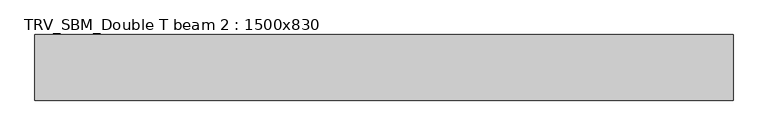
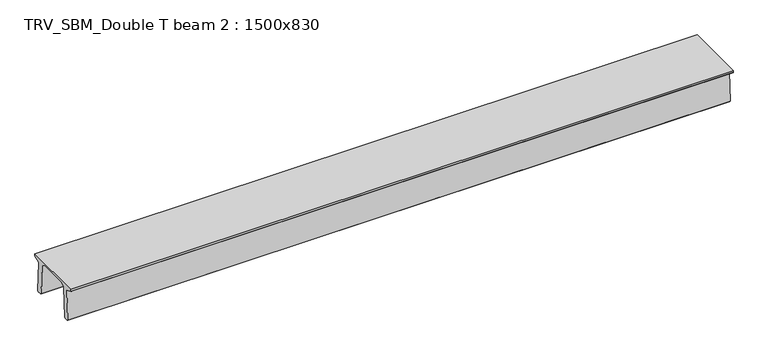
"""IFC4 building model written with IfcOpenShell, lengths in millimetres: beam geometry, TRV_SBM_Double T beam 2 : 1500x830."""

import ifcopenshell
import ifcopenshell.guid

model = None  # the IFC model being written
_history = None  # IfcOwnerHistory: only IFC2X3 demands one
_inside = {}  # id of a spatial element -> (the spatial element, [elements in it])
_under = {}  # id of a project, library or spatial element -> (it, [spatial elements below it])
_declared = {}  # id of a project -> (the project, [libraries it declares])
_typed = {}  # id of a type object -> (the type object, [elements of that type])
_made_of = {}  # id of a material, layer set ... -> (it, [elements and type objects made of it])


def new_model(schema):
    """Start an empty IFC model of exactly this schema.

    Asked for "IFC4X3", IfcOpenShell would pick the latest addendum, in which some entities
    have other attributes; the version numbers below select the first issue.
    IFC2X3 requires an IfcOwnerHistory on every rooted entity: one is made here for all.
    """
    global model, _history
    if schema == "IFC4X3":
        model = ifcopenshell.file(schema_version=(4, 3, 0, 0))
    else:
        model = ifcopenshell.file(schema=schema)
    _inside.clear()
    _under.clear()
    _declared.clear()
    _typed.clear()
    _made_of.clear()
    _history = None
    if model.schema == "IFC2X3":
        org = make("IfcOrganization", Name="unknown")
        user = make(
            "IfcPersonAndOrganization",
            ThePerson=make("IfcPerson", FamilyName="unknown"),
            TheOrganization=org,
        )
        app = make(
            "IfcApplication",
            ApplicationDeveloper=org,
            Version="unknown",
            ApplicationFullName="unknown",
            ApplicationIdentifier="unknown",
        )
        _history = make(
            "IfcOwnerHistory",
            OwningUser=user,
            OwningApplication=app,
            ChangeAction="ADDED",
            CreationDate=0,
        )
    return model


def make(cls, **values):
    """One entity of the class cls with the attributes given. An attribute that is None is left unset."""
    return model.create_entity(
        cls, **{name: value for name, value in values.items() if value is not None}
    )


def rooted(cls, **values):
    """An entity with a GlobalId (a new one), such as an element, a storey or a relation."""
    return make(cls, GlobalId=ifcopenshell.guid.new(), OwnerHistory=_history, **values)


def si_unit(unit_type, name, prefix=None):
    """IfcSIUnit, for example si_unit("LENGTHUNIT", "METRE", prefix="MILLI")."""
    return make("IfcSIUnit", UnitType=unit_type, Prefix=prefix, Name=name)


def assignment(units):
    """IfcUnitAssignment: the units of a project."""
    return None if units is None else make("IfcUnitAssignment", Units=units)


def point(xyz):
    """IfcCartesianPoint."""
    return None if xyz is None else make("IfcCartesianPoint", Coordinates=xyz)


def direction(xyz):
    """IfcDirection."""
    return None if xyz is None else make("IfcDirection", DirectionRatios=xyz)


def frame(location, z_axis=None, x_axis=None):
    """IfcAxis2Placement3D, a coordinate frame: its origin and axes. An axis left out is left unset."""
    return make(
        "IfcAxis2Placement3D",
        Location=point(location),
        Axis=direction(z_axis),
        RefDirection=direction(x_axis),
    )


def origin():
    """The frame at (0, 0, 0) with its axes left unset."""
    return frame((0.0, 0.0, 0.0))


def place(relative_to, where):
    """IfcLocalPlacement: puts the frame where relative to a parent placement (None: the world)."""
    return make(
        "IfcLocalPlacement", PlacementRelTo=relative_to, RelativePlacement=where
    )


def context(
    kind, dimensions, precision=None, world=None, true_north=None, identifier=None
):
    """IfcGeometricRepresentationContext, for example the 3D "Model" context."""
    return make(
        "IfcGeometricRepresentationContext",
        ContextIdentifier=identifier,
        ContextType=kind,
        CoordinateSpaceDimension=dimensions,
        Precision=precision,
        WorldCoordinateSystem=world,
        TrueNorth=true_north,
    )


def project(units=None, contexts=None):
    """IfcProject with its units and contexts."""
    return rooted(
        "IfcProject",
        Name="project",
        RepresentationContexts=contexts,
        UnitsInContext=assignment(units),
    )


def spatial(cls, under=None, at=None, **own):
    """A site, building, storey or space (cls), placed at a placement, below another one or the project."""
    s = rooted(cls, ObjectPlacement=at, **own)
    if under is not None:
        _under.setdefault(under.id(), (under, []))[1].append(s)
    return s


def polyline(points):
    """IfcPolyline through the points."""
    return make("IfcPolyline", Points=[point(p) for p in points])


def outline(outer, holes=None, kind="AREA"):
    """IfcArbitraryClosedProfileDef: a profile drawn as a closed curve; with holes, ...WithVoids."""
    if holes is None:
        return make("IfcArbitraryClosedProfileDef", ProfileType=kind, OuterCurve=outer)
    return make(
        "IfcArbitraryProfileDefWithVoids",
        ProfileType=kind,
        OuterCurve=outer,
        InnerCurves=holes,
    )


def extrude(swept, where, along, depth):
    """IfcExtrudedAreaSolid: the profile swept, set in the frame where, extruded along a direction by depth."""
    return make(
        "IfcExtrudedAreaSolid",
        SweptArea=swept,
        Position=where,
        ExtrudedDirection=direction(along),
        Depth=depth,
    )


def shape(context_of_items, identifier, shape_type, items):
    """IfcShapeRepresentation: the items that make up one representation, for example the "Body"."""
    return make(
        "IfcShapeRepresentation",
        ContextOfItems=context_of_items,
        RepresentationIdentifier=identifier,
        RepresentationType=shape_type,
        Items=items,
    )


def source(mapping_origin, context_of_items, identifier, shape_type, items):
    """IfcRepresentationMap: a shape defined once, which mapped items show again and again."""
    return make(
        "IfcRepresentationMap",
        MappingOrigin=mapping_origin,
        MappedRepresentation=shape(context_of_items, identifier, shape_type, items),
    )


def transform(
    local_origin,
    x_axis=None,
    y_axis=None,
    z_axis=None,
    scale=None,
    scale2=None,
    scale3=None,
    uniform=True,
):
    """IfcCartesianTransformationOperator3D, or its non-uniform kind. x_axis, y_axis, z_axis: its Axis1, 2, 3."""
    if uniform:
        return make(
            "IfcCartesianTransformationOperator3D",
            Axis1=direction(x_axis),
            Axis2=direction(y_axis),
            LocalOrigin=point(local_origin),
            Scale=scale,
            Axis3=direction(z_axis),
        )
    return make(
        "IfcCartesianTransformationOperator3DnonUniform",
        Axis1=direction(x_axis),
        Axis2=direction(y_axis),
        LocalOrigin=point(local_origin),
        Scale=scale,
        Axis3=direction(z_axis),
        Scale2=scale2,
        Scale3=scale3,
    )


def mapped(mapping_source, mapping_target):
    """IfcMappedItem: shows the shape of a source again, moved by a transform."""
    return make(
        "IfcMappedItem", MappingSource=mapping_source, MappingTarget=mapping_target
    )


def made_of(thing, what):
    """Note that an element or type object is made of a material, layer set ...; save() writes the relation."""
    if what is not None:
        _made_of.setdefault(what.id(), (what, []))[1].append(thing)
    return thing


def element(
    cls,
    number,
    at=None,
    inside=None,
    cuts=None,
    type_object=None,
    material=None,
    context=None,
    identifier="Body",
    shape_type=None,
    held_by="IfcProductDefinitionShape",
    body=None,
    shapes=None,
    **own,
):
    """One element of the class cls, such as IfcWall. Its Tag is "e" and its number.

    at: its placement. inside: the storey or other place that contains it. cuts: it is an
    opening in that element (IfcRelVoidsElement). A single representation is given by context,
    identifier, shape_type and body (its items); several are given by shapes. held_by: the class
    of the entity that holds the representations. save() writes the other relations.
    """
    e = rooted(cls, Tag="e%d" % number, ObjectPlacement=at, **own)
    if body is not None:
        shapes = [shape(context, identifier, shape_type, body)]
    if shapes is not None:
        e.Representation = make(held_by, Representations=shapes)
    if inside is not None:
        _inside.setdefault(inside.id(), (inside, []))[1].append(e)
    if cuts is not None:
        rooted(
            "IfcRelVoidsElement", RelatingBuildingElement=cuts, RelatedOpeningElement=e
        )
    if type_object is not None:
        _typed.setdefault(type_object.id(), (type_object, []))[1].append(e)
    return made_of(e, material)


def aggregate(whole, parts):
    """IfcRelAggregates: a whole, such as a stair, and the parts it consists of."""
    return rooted("IfcRelAggregates", RelatingObject=whole, RelatedObjects=parts)


def save(model, path):
    """Write the relations noted so far, then the file.

    IfcRelAggregates (storeys below a building ...), IfcRelContainedInSpatialStructure (elements
    in a storey), IfcRelDefinesByType, IfcRelAssociatesMaterial and IfcRelDeclares: one each for
    every whole, place, type object, material and project.
    """
    for whole, parts in _under.values():
        aggregate(whole, parts)
    for where, things in _inside.values():
        rooted(
            "IfcRelContainedInSpatialStructure",
            RelatedElements=things,
            RelatingStructure=where,
        )
    for kind, things in _typed.values():
        rooted("IfcRelDefinesByType", RelatedObjects=things, RelatingType=kind)
    for what, things in _made_of.values():
        rooted("IfcRelAssociatesMaterial", RelatedObjects=things, RelatingMaterial=what)
    for by, libraries in _declared.values():
        rooted("IfcRelDeclares", RelatingContext=by, RelatedDefinitions=libraries)
    model.write(path)


def trv_sbm_double_t_beam_2_1500x830_e11ed2f8(model_context):
    return source(origin(), model_context, "Body", "SweptSolid", [
        extrude(outline(polyline([(337.4555014, 470.0), (-343.4555014, 470.0), (-456.5828437, 409.8491251), (-494.786332, -340.5206011), (-514.2657308, -360.0), (-604.2657308, -360.0), (-624.8277662, -339.4379646), (-586.9373878, 401.9654693), (-752.8511046, 468.9989621), (-753.0, 475.0), (-753.0, 520.0), (747.0, 520.0), (747.0, 475.0), (746.8511046, 468.9989621), (580.9373878, 401.9654693), (618.8277662, -339.4379646), (598.2657308, -360.0), (508.2657308, -360.0), (488.786332, -340.5206011), (450.5828437, 409.8491251), (337.4555014, 470.0)])), frame((-7939.5, 0.0, 0.0), z_axis=(1.0, 0.0, 0.0), x_axis=(0.0, 1.0, 0.0)), (0.0, 0.0, 1.0), 15956.0),
    ])


if __name__ == "__main__":
    model = new_model("IFC4")
    model_context = context("Model", 3, world=origin())
    ifc_project = project(units=[si_unit("LENGTHUNIT", "METRE", prefix="MILLI")], contexts=[model_context])
    site = spatial("IfcSite", under=ifc_project)
    building = spatial("IfcBuilding", under=site)
    placement = place(None, origin())
    trv_sbm_double_t_beam_2_1500x830_shape = trv_sbm_double_t_beam_2_1500x830_e11ed2f8(model_context)
    element("IfcBeam", 1, ObjectType="TRV_SBM_Double T beam 2 : 1500x830", at=placement, inside=building, context=model_context, shape_type="MappedRepresentation", body=[
        mapped(trv_sbm_double_t_beam_2_1500x830_shape, transform((0.0, 0.0, 0.0), x_axis=(1.0, 0.0, 0.0), y_axis=(0.0, 1.0, 0.0), z_axis=(0.0, 0.0, 1.0))),
    ])
    save(model, "model.ifc")
